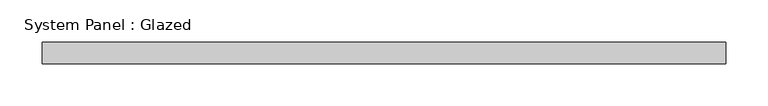
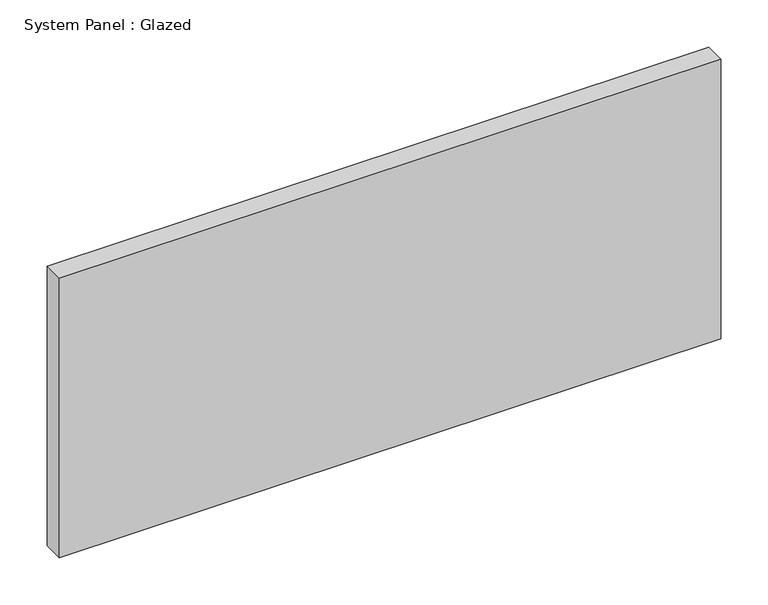
"""IFC4 building model written with IfcOpenShell, lengths in millimetres: plate geometry, System Panel : Glazed."""

from ifc_helpers import new_model, si_unit, origin, origin_with_axes, place, context, project, spatial, polyline, outline, extrude, source, transform, mapped, element, save


def system_panel_glazed_3f2534e3(model_context):
    return source(origin(), model_context, "Body", "SweptSolid", [
        extrude(outline(polyline([(404.7625, 19.05), (-404.7625, 19.05), (-404.7625, 44.45), (404.7625, 44.45), (404.7625, 19.05)])), origin_with_axes(), (0.0, 0.0, 1.0), 361.6),
    ])


if __name__ == "__main__":
    model = new_model("IFC4")
    model_context = context("Model", 3, world=origin())
    ifc_project = project(units=[si_unit("LENGTHUNIT", "METRE", prefix="MILLI")], contexts=[model_context])
    site = spatial("IfcSite", under=ifc_project)
    building = spatial("IfcBuilding", under=site)
    placement = place(None, origin())
    system_panel_glazed_shape = system_panel_glazed_3f2534e3(model_context)
    element("IfcPlate", 1, ObjectType="System Panel : Glazed", at=placement, inside=building, context=model_context, shape_type="MappedRepresentation", body=[
        mapped(system_panel_glazed_shape, transform((0.0, 0.0, 0.0), x_axis=(1.0, 0.0, 0.0), y_axis=(0.0, 1.0, 0.0), z_axis=(0.0, 0.0, 1.0))),
    ])
    save(model, "model.ifc")
